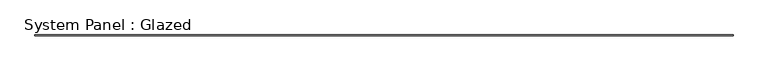
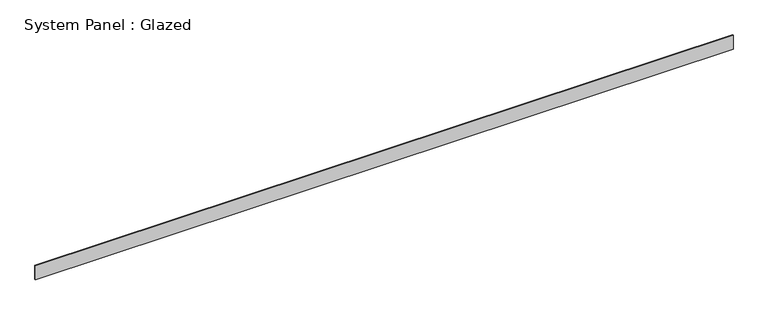
"""IFC4 building model written with IfcOpenShell, lengths in millimetres: plate geometry, System Panel : Glazed."""

from ifc_helpers import new_model, si_unit, origin, origin_with_axes, place, context, project, spatial, polyline, outline, extrude, source, transform, mapped, element, save


def system_panel_glazed_512c6694(model_context):
    return source(origin(), model_context, "Body", "SweptSolid", [
        extrude(outline(polyline([(9669.7436638, 24.5), (-9669.7436638, 24.5), (-9669.7436638, 49.5), (9669.7436638, 49.5), (9669.7436638, 24.5)])), origin_with_axes(), (0.0, 0.0, 1.0), 400.0),
    ])


if __name__ == "__main__":
    model = new_model("IFC4")
    model_context = context("Model", 3, world=origin())
    ifc_project = project(units=[si_unit("LENGTHUNIT", "METRE", prefix="MILLI")], contexts=[model_context])
    site = spatial("IfcSite", under=ifc_project)
    building = spatial("IfcBuilding", under=site)
    placement = place(None, origin())
    system_panel_glazed_shape = system_panel_glazed_512c6694(model_context)
    element("IfcPlate", 1, ObjectType="System Panel : Glazed", at=placement, inside=building, context=model_context, shape_type="MappedRepresentation", body=[
        mapped(system_panel_glazed_shape, transform((0.0, 0.0, 0.0), x_axis=(1.0, 0.0, 0.0), y_axis=(0.0, 1.0, 0.0), z_axis=(0.0, 0.0, 1.0))),
    ])
    save(model, "model.ifc")
